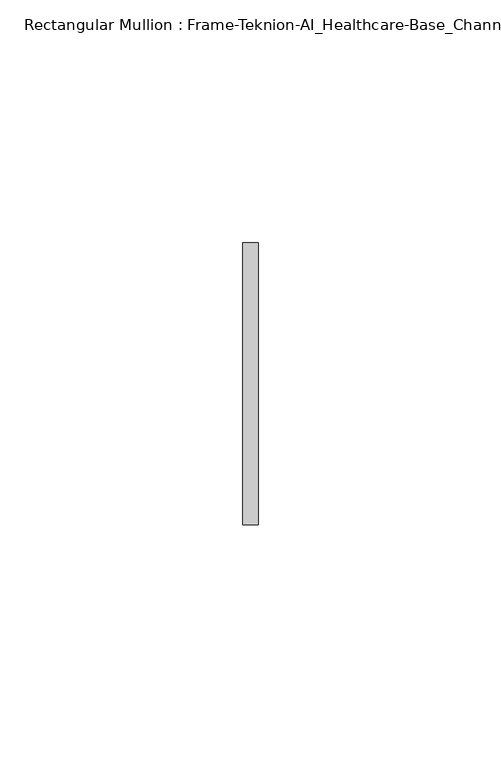
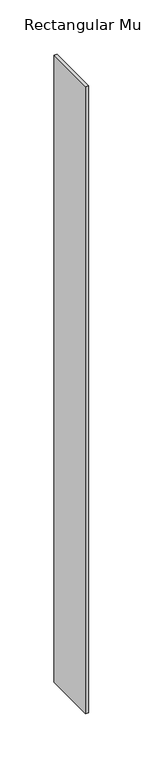
"""IFC4 building model written with IfcOpenShell, lengths in millimetres: member geometry, Rectangular Mullion : Frame-Teknion-AI_Healthcare-Base_Channel."""

from ifc_helpers import new_model, si_unit, frame, origin, place, context, project, spatial, polyline, outline, extrude, source, transform, mapped, element, save


def rectangular_mullion_frame_teknion_ai_healthcare_base_channel_04caa170(model_context):
    return source(origin(), model_context, "Body", "SweptSolid", [
        extrude(outline(polyline([(0.0, 29.0214844), (0.0, -29.0214844), (-3.175, -29.0214844), (-3.175, 29.0214844), (0.0, 29.0214844)])), frame((0.0, 0.0, -704.85), z_axis=(0.0, 0.0, 1.0), x_axis=(1.0, 0.0, 0.0)), (0.0, 0.0, 1.0), 704.85),
    ])


if __name__ == "__main__":
    model = new_model("IFC4")
    model_context = context("Model", 3, world=origin())
    ifc_project = project(units=[si_unit("LENGTHUNIT", "METRE", prefix="MILLI")], contexts=[model_context])
    site = spatial("IfcSite", under=ifc_project)
    building = spatial("IfcBuilding", under=site)
    placement = place(None, origin())
    rectangular_mullion_frame_teknion_ai_healthcare_base_channel_shape = rectangular_mullion_frame_teknion_ai_healthcare_base_channel_04caa170(model_context)
    element("IfcMember", 1, ObjectType="Rectangular Mullion : Frame-Teknion-AI_Healthcare-Base_Channel", at=placement, inside=building, context=model_context, shape_type="MappedRepresentation", body=[
        mapped(rectangular_mullion_frame_teknion_ai_healthcare_base_channel_shape, transform((0.0, 0.0, 0.0), x_axis=(1.0, 0.0, 0.0), y_axis=(0.0, 1.0, 0.0), z_axis=(0.0, 0.0, 1.0))),
    ])
    save(model, "model.ifc")
